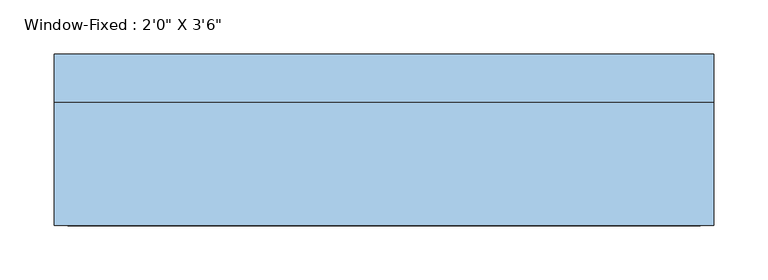
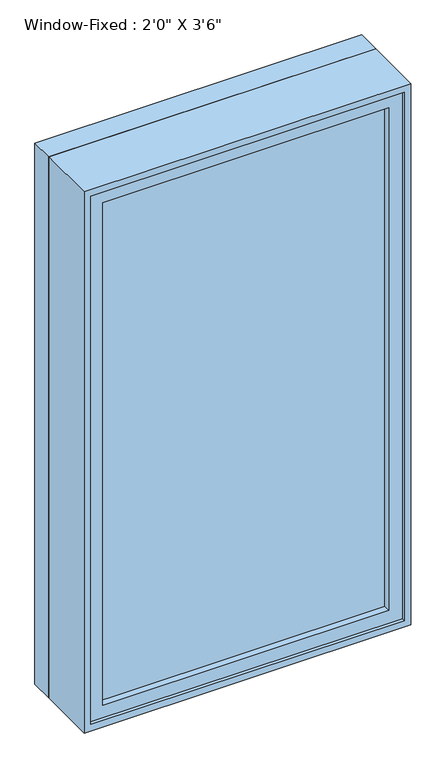
"""IFC4 building model written with IfcOpenShell, lengths in millimetres: window geometry."""

from ifc_helpers import new_model, si_unit, frame, origin, place, context, project, spatial, polyline, outline, extrude, faceted_brep, source, transform, mapped, element, save


def window_e86b3b7a(model_context):
    return source(origin(), model_context, "Body", "SolidModel", [
        extrude(outline(polyline([(266.7, -69.85), (-266.7, -69.85), (-266.7, -63.5), (266.7, -63.5), (266.7, -69.85)])), frame((0.0, 0.0, 952.5), z_axis=(0.0, 0.0, 1.0), x_axis=(1.0, 0.0, 0.0)), (0.0, 0.0, 1.0), 990.6),
        extrude(outline(polyline([(-266.7, -50.8), (266.7, -50.8), (266.7, -57.15), (-266.7, -57.15), (-266.7, -50.8)])), frame((0.0, 0.0, 952.5), z_axis=(0.0, 0.0, 1.0), x_axis=(1.0, 0.0, 0.0)), (0.0, 0.0, 1.0), 990.6),
        extrude(outline(polyline([(927.1, -292.1), (927.1, 292.1), (1968.5, 292.1), (1968.5, -292.1), (927.1, -292.1)]), holes=[polyline([(952.5, 266.7), (952.5, -266.7), (1943.1, -266.7), (1943.1, 266.7), (952.5, 266.7)])]), frame((0.0, -82.55, 0.0), z_axis=(0.0, 1.0, 0.0), x_axis=(0.0, 0.0, 1.0)), (0.0, 0.0, 1.0), 44.45),
        extrude(outline(polyline([(1981.2, -304.8), (914.4, -304.8), (914.4, 304.8), (1981.2, 304.8), (1981.2, -304.8)]), holes=[polyline([(1968.5, 292.1), (927.1, 292.1), (927.1, -292.1), (1968.5, -292.1), (1968.5, 292.1)])]), frame((0.0, 25.4, 0.0), z_axis=(0.0, 1.0, 0.0), x_axis=(0.0, 0.0, 1.0)), (0.0, 0.0, 1.0), 44.45),
        faceted_brep([(304.8, 25.4, 1981.2), (-304.8, 25.4, 1981.2), (-304.8, -88.9, 1981.2), (304.8, -88.9, 1981.2), (-304.8, 25.4, 914.4), (-304.8, -88.9, 914.4), (304.8, 25.4, 914.4), (304.8, -88.9, 914.4), (273.05, 25.4, 1949.45), (-273.05, 25.4, 1949.45), (-273.05, 25.4, 946.15), (273.05, 25.4, 946.15), (-292.1, -88.9, 1968.5), (292.1, -88.9, 1968.5), (292.1, -88.9, 927.1), (-292.1, -88.9, 927.1), (273.05, -38.1, 1949.45), (-273.05, -38.1, 1949.45), (-292.1, -38.1, 1968.5), (292.1, -38.1, 1968.5), (-273.05, -38.1, 946.15), (-292.1, -38.1, 927.1), (273.05, -38.1, 946.15), (292.1, -38.1, 927.1)], [[[0, 1, 2, 3]], [[1, 4, 5, 2]], [[4, 6, 7, 5]], [[1, 0, 6, 4], [8, 9, 10, 11]], [[6, 0, 3, 7]], [[3, 2, 5, 7], [12, 13, 14, 15]], [[16, 17, 9, 8]], [[13, 12, 18, 19]], [[17, 20, 10, 9]], [[12, 15, 21, 18]], [[20, 22, 11, 10]], [[15, 14, 23, 21]], [[22, 16, 8, 11]], [[19, 18, 21, 23], [17, 16, 22, 20]], [[14, 13, 19, 23]]]),
    ])


if __name__ == "__main__":
    model = new_model("IFC4")
    model_context = context("Model", 3, world=origin())
    ifc_project = project(units=[si_unit("LENGTHUNIT", "METRE", prefix="MILLI")], contexts=[model_context])
    site = spatial("IfcSite", under=ifc_project)
    building = spatial("IfcBuilding", under=site)
    placement = place(None, origin())
    window_shape = window_e86b3b7a(model_context)
    element("IfcWindow", 1, ObjectType="Window-Fixed : 2'0\" X 3'6\"", at=placement, inside=building, context=model_context, shape_type="MappedRepresentation", body=[
        mapped(window_shape, transform((0.0, 0.0, 0.0), x_axis=(1.0, 0.0, 0.0), y_axis=(0.0, 1.0, 0.0), z_axis=(0.0, 0.0, 1.0))),
    ])
    save(model, "model.ifc")
